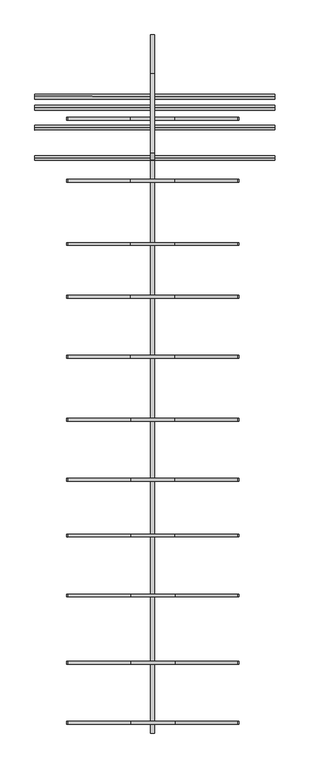
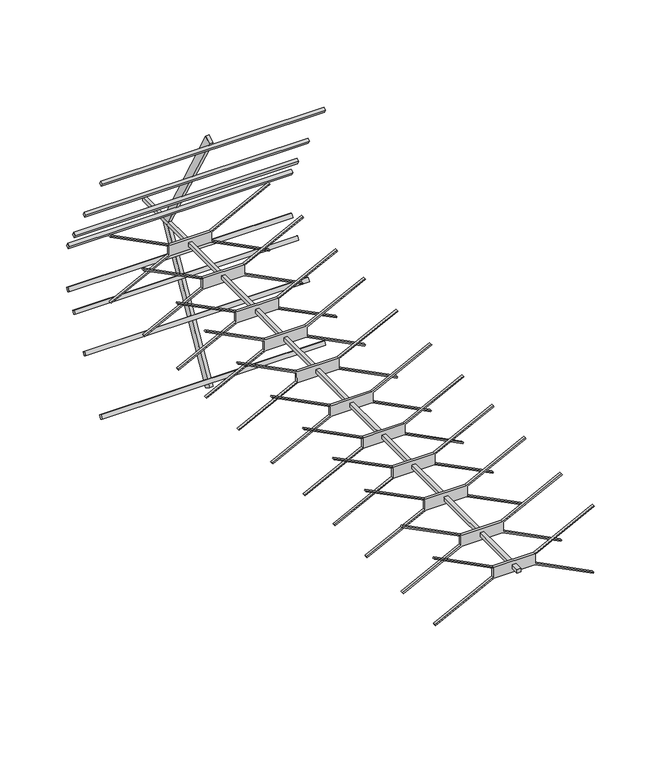
"""IFC4 building model written with IfcOpenShell, lengths in millimetres: proxy geometry."""

import ifcopenshell
import ifcopenshell.guid

model = None  # the IFC model being written
_history = None  # IfcOwnerHistory: only IFC2X3 demands one
_inside = {}  # id of a spatial element -> (the spatial element, [elements in it])
_under = {}  # id of a project, library or spatial element -> (it, [spatial elements below it])
_declared = {}  # id of a project -> (the project, [libraries it declares])
_typed = {}  # id of a type object -> (the type object, [elements of that type])
_made_of = {}  # id of a material, layer set ... -> (it, [elements and type objects made of it])


def new_model(schema):
    """Start an empty IFC model of exactly this schema.

    Asked for "IFC4X3", IfcOpenShell would pick the latest addendum, in which some entities
    have other attributes; the version numbers below select the first issue.
    IFC2X3 requires an IfcOwnerHistory on every rooted entity: one is made here for all.
    """
    global model, _history
    if schema == "IFC4X3":
        model = ifcopenshell.file(schema_version=(4, 3, 0, 0))
    else:
        model = ifcopenshell.file(schema=schema)
    _inside.clear()
    _under.clear()
    _declared.clear()
    _typed.clear()
    _made_of.clear()
    _history = None
    if model.schema == "IFC2X3":
        org = make("IfcOrganization", Name="unknown")
        user = make(
            "IfcPersonAndOrganization",
            ThePerson=make("IfcPerson", FamilyName="unknown"),
            TheOrganization=org,
        )
        app = make(
            "IfcApplication",
            ApplicationDeveloper=org,
            Version="unknown",
            ApplicationFullName="unknown",
            ApplicationIdentifier="unknown",
        )
        _history = make(
            "IfcOwnerHistory",
            OwningUser=user,
            OwningApplication=app,
            ChangeAction="ADDED",
            CreationDate=0,
        )
    return model


def make(cls, **values):
    """One entity of the class cls with the attributes given. An attribute that is None is left unset."""
    return model.create_entity(
        cls, **{name: value for name, value in values.items() if value is not None}
    )


def rooted(cls, **values):
    """An entity with a GlobalId (a new one), such as an element, a storey or a relation."""
    return make(cls, GlobalId=ifcopenshell.guid.new(), OwnerHistory=_history, **values)


def si_unit(unit_type, name, prefix=None):
    """IfcSIUnit, for example si_unit("LENGTHUNIT", "METRE", prefix="MILLI")."""
    return make("IfcSIUnit", UnitType=unit_type, Prefix=prefix, Name=name)


def assignment(units):
    """IfcUnitAssignment: the units of a project."""
    return None if units is None else make("IfcUnitAssignment", Units=units)


def point(xyz):
    """IfcCartesianPoint."""
    return None if xyz is None else make("IfcCartesianPoint", Coordinates=xyz)


def direction(xyz):
    """IfcDirection."""
    return None if xyz is None else make("IfcDirection", DirectionRatios=xyz)


def frame(location, z_axis=None, x_axis=None):
    """IfcAxis2Placement3D, a coordinate frame: its origin and axes. An axis left out is left unset."""
    return make(
        "IfcAxis2Placement3D",
        Location=point(location),
        Axis=direction(z_axis),
        RefDirection=direction(x_axis),
    )


def origin():
    """The frame at (0, 0, 0) with its axes left unset."""
    return frame((0.0, 0.0, 0.0))


def place(relative_to, where):
    """IfcLocalPlacement: puts the frame where relative to a parent placement (None: the world)."""
    return make(
        "IfcLocalPlacement", PlacementRelTo=relative_to, RelativePlacement=where
    )


def context(
    kind, dimensions, precision=None, world=None, true_north=None, identifier=None
):
    """IfcGeometricRepresentationContext, for example the 3D "Model" context."""
    return make(
        "IfcGeometricRepresentationContext",
        ContextIdentifier=identifier,
        ContextType=kind,
        CoordinateSpaceDimension=dimensions,
        Precision=precision,
        WorldCoordinateSystem=world,
        TrueNorth=true_north,
    )


def project(units=None, contexts=None):
    """IfcProject with its units and contexts."""
    return rooted(
        "IfcProject",
        Name="project",
        RepresentationContexts=contexts,
        UnitsInContext=assignment(units),
    )


def spatial(cls, under=None, at=None, **own):
    """A site, building, storey or space (cls), placed at a placement, below another one or the project."""
    s = rooted(cls, ObjectPlacement=at, **own)
    if under is not None:
        _under.setdefault(under.id(), (under, []))[1].append(s)
    return s


def polyline(points):
    """IfcPolyline through the points."""
    return make("IfcPolyline", Points=[point(p) for p in points])


def outline(outer, holes=None, kind="AREA"):
    """IfcArbitraryClosedProfileDef: a profile drawn as a closed curve; with holes, ...WithVoids."""
    if holes is None:
        return make("IfcArbitraryClosedProfileDef", ProfileType=kind, OuterCurve=outer)
    return make(
        "IfcArbitraryProfileDefWithVoids",
        ProfileType=kind,
        OuterCurve=outer,
        InnerCurves=holes,
    )


def extrude(swept, where, along, depth):
    """IfcExtrudedAreaSolid: the profile swept, set in the frame where, extruded along a direction by depth."""
    return make(
        "IfcExtrudedAreaSolid",
        SweptArea=swept,
        Position=where,
        ExtrudedDirection=direction(along),
        Depth=depth,
    )


def shape(context_of_items, identifier, shape_type, items):
    """IfcShapeRepresentation: the items that make up one representation, for example the "Body"."""
    return make(
        "IfcShapeRepresentation",
        ContextOfItems=context_of_items,
        RepresentationIdentifier=identifier,
        RepresentationType=shape_type,
        Items=items,
    )


def source(mapping_origin, context_of_items, identifier, shape_type, items):
    """IfcRepresentationMap: a shape defined once, which mapped items show again and again."""
    return make(
        "IfcRepresentationMap",
        MappingOrigin=mapping_origin,
        MappedRepresentation=shape(context_of_items, identifier, shape_type, items),
    )


def transform(
    local_origin,
    x_axis=None,
    y_axis=None,
    z_axis=None,
    scale=None,
    scale2=None,
    scale3=None,
    uniform=True,
):
    """IfcCartesianTransformationOperator3D, or its non-uniform kind. x_axis, y_axis, z_axis: its Axis1, 2, 3."""
    if uniform:
        return make(
            "IfcCartesianTransformationOperator3D",
            Axis1=direction(x_axis),
            Axis2=direction(y_axis),
            LocalOrigin=point(local_origin),
            Scale=scale,
            Axis3=direction(z_axis),
        )
    return make(
        "IfcCartesianTransformationOperator3DnonUniform",
        Axis1=direction(x_axis),
        Axis2=direction(y_axis),
        LocalOrigin=point(local_origin),
        Scale=scale,
        Axis3=direction(z_axis),
        Scale2=scale2,
        Scale3=scale3,
    )


def mapped(mapping_source, mapping_target):
    """IfcMappedItem: shows the shape of a source again, moved by a transform."""
    return make(
        "IfcMappedItem", MappingSource=mapping_source, MappingTarget=mapping_target
    )


def made_of(thing, what):
    """Note that an element or type object is made of a material, layer set ...; save() writes the relation."""
    if what is not None:
        _made_of.setdefault(what.id(), (what, []))[1].append(thing)
    return thing


def element(
    cls,
    number,
    at=None,
    inside=None,
    cuts=None,
    type_object=None,
    material=None,
    context=None,
    identifier="Body",
    shape_type=None,
    held_by="IfcProductDefinitionShape",
    body=None,
    shapes=None,
    **own,
):
    """One element of the class cls, such as IfcWall. Its Tag is "e" and its number.

    at: its placement. inside: the storey or other place that contains it. cuts: it is an
    opening in that element (IfcRelVoidsElement). A single representation is given by context,
    identifier, shape_type and body (its items); several are given by shapes. held_by: the class
    of the entity that holds the representations. save() writes the other relations.
    """
    e = rooted(cls, Tag="e%d" % number, ObjectPlacement=at, **own)
    if body is not None:
        shapes = [shape(context, identifier, shape_type, body)]
    if shapes is not None:
        e.Representation = make(held_by, Representations=shapes)
    if inside is not None:
        _inside.setdefault(inside.id(), (inside, []))[1].append(e)
    if cuts is not None:
        rooted(
            "IfcRelVoidsElement", RelatingBuildingElement=cuts, RelatedOpeningElement=e
        )
    if type_object is not None:
        _typed.setdefault(type_object.id(), (type_object, []))[1].append(e)
    return made_of(e, material)


def aggregate(whole, parts):
    """IfcRelAggregates: a whole, such as a stair, and the parts it consists of."""
    return rooted("IfcRelAggregates", RelatingObject=whole, RelatedObjects=parts)


def save(model, path):
    """Write the relations noted so far, then the file.

    IfcRelAggregates (storeys below a building ...), IfcRelContainedInSpatialStructure (elements
    in a storey), IfcRelDefinesByType, IfcRelAssociatesMaterial and IfcRelDeclares: one each for
    every whole, place, type object, material and project.
    """
    for whole, parts in _under.values():
        aggregate(whole, parts)
    for where, things in _inside.values():
        rooted(
            "IfcRelContainedInSpatialStructure",
            RelatedElements=things,
            RelatingStructure=where,
        )
    for kind, things in _typed.values():
        rooted("IfcRelDefinesByType", RelatedObjects=things, RelatingType=kind)
    for what, things in _made_of.values():
        rooted("IfcRelAssociatesMaterial", RelatedObjects=things, RelatingMaterial=what)
    for by, libraries in _declared.values():
        rooted("IfcRelDeclares", RelatingContext=by, RelatedDefinitions=libraries)
    model.write(path)


def electrical_equipment_bc6e4242(model_context):
    return source(origin(), model_context, "Body", "SweptSolid", [
        extrude(outline(polyline([(4.8529187, 839.5953609), (4.9997, -848.0124761), (-5.0003, -848.0133458), (-5.1470813, 839.5944911), (4.8529187, 839.5953609)])), frame((0.0, 0.0, 333.2991419), z_axis=(0.0, 0.0, 1.0), x_axis=(1.0, 0.0, 0.0)), (0.0, 0.0, 1.0), 10.0),
        extrude(outline(polyline([(0.0, 0.0), (-26.0803511, -395.8512075), (-377.2465404, -580.4065399), (-385.3668325, -562.1292081), (-42.8494572, -384.9518003), (-20.0, 0.0), (0.0, 0.0)])), frame((-5.1208298, 555.1053639, 684.2430589), z_axis=(0.9999999962175946, 8.697592195006097e-05, 0.0), x_axis=(-7.292542332284875e-05, 0.8384553036285936, 0.5449703647896514)), (0.0, 0.0, 1.0), 9.5124639),
        extrude(outline(polyline([(-9.1462648, 0.0), (161.7884493, 0.0), (161.9878973, -2.9932162), (-8.3189765, -2.9737875), (-19.7695714, -25.556304), (81.6460866, -163.9638216), (79.1134599, -165.5718646), (-22.495432, -26.8674433), (-117.3153522, 21.2115428), (-289.2551188, 21.2115427), (-289.4545766, 24.2049048), (-117.8685158, 24.1853303), (-106.4179209, 46.7678467), (-207.0775176, 184.1435259), (-204.5450144, 185.7514905), (-103.5300647, 47.8578488), (-9.1462648, 0.0)])), frame((61.3873629, -826.5299634, 319.7261211), z_axis=(-8.697592182388413e-05, 0.9999999962175945, 0.0), x_axis=(0.8918958202361283, 7.757346142932079e-05, -0.45224090906029507)), (0.0, 0.0, 1.0), 6.6860012),
        extrude(outline(polyline([(-9.1462648, 0.0), (161.7884493, 0.0), (161.9878973, -2.9932162), (-8.3189765, -2.9737875), (-19.7695714, -25.556304), (81.6460866, -163.9638216), (79.1134599, -165.5718646), (-22.495432, -26.8674433), (-117.3153522, 21.2115428), (-289.2551188, 21.2115427), (-289.4545766, 24.2049048), (-117.8685158, 24.1853303), (-106.4179209, 46.7678467), (-207.0775176, 184.1435259), (-204.5450144, 185.7514905), (-103.5300647, 47.8578488), (-9.1462648, 0.0)])), frame((61.3747514, -681.5299653, 319.7261211), z_axis=(-8.697592182388413e-05, 0.9999999962175945, 0.0), x_axis=(0.8918958202361282, 7.757346142932079e-05, -0.4522409090602953)), (0.0, 0.0, 1.0), 6.6860012),
        extrude(outline(polyline([(-9.1462648, 0.0), (161.7884493, 0.0), (161.9878973, -2.9932162), (-8.3189764, -2.9737875), (-19.7695713, -25.556304), (81.6460866, -163.9638216), (79.11346, -165.5718646), (-22.4954319, -26.8674434), (-117.3153521, 21.2115427), (-289.2551188, 21.2115427), (-289.4545765, 24.2049048), (-117.8685158, 24.1853303), (-106.4179209, 46.7678467), (-207.0775175, 184.1435258), (-204.5450143, 185.7514905), (-103.5300647, 47.8578488), (-9.1462648, 0.0)])), frame((61.3614875, -519.0299649, 319.7261211), z_axis=(-8.697592182388413e-05, 0.9999999962175945, 0.0), x_axis=(0.8918958202361281, 7.757346142932078e-05, -0.45224090906029546)), (0.0, 0.0, 1.0), 6.6860012),
        extrude(outline(polyline([(-9.1462648, 0.0), (161.7884493, 0.0), (161.9878973, -2.9932162), (-8.3189764, -2.9737875), (-19.7695713, -25.556304), (81.6460866, -163.9638216), (79.11346, -165.5718646), (-22.4954319, -26.8674434), (-117.3153521, 21.2115427), (-289.2551188, 21.2115427), (-289.4545765, 24.2049048), (-117.8685158, 24.1853303), (-106.4179209, 46.7678467), (-207.0775175, 184.1435258), (-204.5450143, 185.7514905), (-103.5300647, 47.8578488), (-9.1462648, 0.0)])), frame((61.348876, -374.0286615, 319.7261211), z_axis=(-8.697592182388414e-05, 0.9999999962175945, 0.0), x_axis=(0.8918958202361281, 7.757346142932078e-05, -0.4522409090602955)), (0.0, 0.0, 1.0), 6.6860012),
        extrude(outline(polyline([(-9.1462648, 0.0), (161.7884493, 0.0), (161.9878973, -2.9932162), (-8.3189765, -2.9737875), (-19.7695714, -25.556304), (81.6460866, -163.9638216), (79.1134599, -165.5718646), (-22.495432, -26.8674433), (-117.3153522, 21.2115428), (-289.2551188, 21.2115427), (-289.4545766, 24.2049048), (-117.8685158, 24.1853303), (-106.4179209, 46.7678467), (-207.0775176, 184.1435259), (-204.5450144, 185.7514905), (-103.5300647, 47.8578488), (-9.1462648, 0.0)])), frame((61.3371343, -239.0266136, 319.7261211), z_axis=(-8.697592182388413e-05, 0.9999999962175945, 0.0), x_axis=(0.891895820236128, 7.757346142932076e-05, -0.4522409090602955)), (0.0, 0.0, 1.0), 6.6860012),
        extrude(outline(polyline([(-9.1462648, 0.0), (161.7884493, 0.0), (161.9878973, -2.9932162), (-8.3189765, -2.9737875), (-19.7695714, -25.556304), (81.6460866, -163.9638216), (79.1134599, -165.5718646), (-22.495432, -26.8674433), (-117.3153522, 21.2115428), (-289.2551188, 21.2115427), (-289.4545766, 24.2049048), (-117.8685158, 24.1853303), (-106.4179209, 46.7678467), (-207.0775176, 184.1435259), (-204.5450144, 185.7514905), (-103.5300647, 47.8578488), (-9.1462648, 0.0)])), frame((61.3245228, -94.026614, 319.7261211), z_axis=(-8.697592182388414e-05, 0.9999999962175946, 0.0), x_axis=(0.8918958202361281, 7.757346142932078e-05, -0.45224090906029557)), (0.0, 0.0, 1.0), 6.6860012),
        extrude(outline(polyline([(9.1462648, 0.0), (103.5300647, 47.8578487), (204.5450143, 185.7514905), (207.0775174, 184.1435259), (106.4179209, 46.7678467), (117.8685158, 24.1853302), (289.4545765, 24.2049048), (289.2551188, 21.2115427), (117.3153521, 21.2115427), (22.4954319, -26.8674434), (-79.11346, -165.5718646), (-81.6460866, -163.9638216), (19.7695713, -25.556304), (8.3189764, -2.9737875), (-161.9878973, -2.9932161), (-161.7884493, 0.0), (9.1462648, 0.0)])), frame((61.3106774, 65.140631, 319.7249715), z_axis=(8.697592182388414e-05, -0.9999999814977805, 0.0001715798007525845), x_axis=(-0.8918958202361273, 2.194507477698101e-08, 0.452240915713434)), (0.0, 0.0, 1.0), 6.6860012),
        extrude(outline(polyline([(9.1462648, 0.0), (103.5300647, 47.8578487), (204.5450144, 185.7514905), (207.0775174, 184.1435259), (106.4179209, 46.7678467), (117.8685158, 24.1853302), (289.4545765, 24.2049048), (289.2551188, 21.2115427), (117.3153521, 21.2115427), (22.4954319, -26.8674434), (-79.1134599, -165.5718646), (-81.6460866, -163.9638216), (19.7695713, -25.556304), (8.3189764, -2.9737876), (-161.9878972, -2.9932162), (-161.7884493, -1e-07), (9.1462648, 0.0)])), frame((61.2980659, 210.1429562, 319.7249718), z_axis=(8.697592182388414e-05, -0.9999999815061051, 0.00017153127557216719), x_axis=(-0.8918958202361256, 0.0, 0.4522409157134377)), (0.0, 0.0, 1.0), 6.6860012),
        extrude(outline(polyline([(-9.1462648, 0.0), (161.7884493, 0.0), (161.9878973, -2.9932162), (-8.3189764, -2.9737875), (-19.7695713, -25.556304), (81.6460866, -163.9638216), (79.1134599, -165.5718646), (-22.4954319, -26.8674434), (-117.3153521, 21.2115427), (-289.2551188, 21.2115427), (-289.4545766, 24.2049048), (-117.8685158, 24.1853303), (-106.4179209, 46.7678467), (-207.0775176, 184.1435259), (-204.5450144, 185.7514905), (-103.5300647, 47.8578488), (-9.1462648, 0.0)])), frame((61.287558, 330.9741291, 319.7261211), z_axis=(-8.697592182388413e-05, 0.9999999962175945, 0.0), x_axis=(0.8918958202361281, 7.757346142932078e-05, -0.45224090906029546)), (0.0, 0.0, 1.0), 6.6860012),
        extrude(outline(polyline([(-9.1462648, 0.0), (161.7884493, 0.0), (161.9878973, -2.9932162), (-8.3189765, -2.9737875), (-19.7695714, -25.556304), (81.6460866, -163.9638216), (79.1134599, -165.5718646), (-22.495432, -26.8674433), (-117.3153522, 21.2115428), (-289.2551188, 21.2115427), (-289.4545766, 24.2049048), (-117.8685158, 24.1853303), (-106.4179209, 46.7678467), (-207.0775176, 184.1435259), (-204.5450144, 185.7514905), (-103.5300647, 47.8578488), (-9.1462648, 0.0)])), frame((61.2742942, 483.4727311, 319.7261211), z_axis=(-8.697592182388414e-05, 0.9999999962175946, 0.0), x_axis=(0.891895820236128, 7.757346142932076e-05, -0.4522409090602956)), (0.0, 0.0, 1.0), 6.6860012),
        extrude(outline(polyline([(0.0, 0.0), (8.260963, 1e-07), (8.9878038, -9.9887746), (0.6857962, -9.9764564), (0.0, 0.0)])), frame((296.2341007, 614.8479783, 522.2209486), z_axis=(-0.9999999962175945, -8.697569302385196e-05, 1.9955471372267168e-07), x_axis=(-7.217496736086612e-05, 0.8311051055419976, 0.5561153642301203)), (0.0, 0.0, 1.0), 581.4238793),
        extrude(outline(polyline([(0.0, 0.0), (7.5299581, 0.0), (8.2567198, -9.9876899), (0.6857963, -9.9764565), (0.0, 0.0)])), frame((296.2404648, 541.6881934, 652.3457414), z_axis=(-0.9999999962175945, -8.697569302385196e-05, 1.9955471372264452e-07), x_axis=(-7.217496736086618e-05, 0.8311051055419979, 0.5561153642301196)), (0.0, 0.0, 1.0), 581.4238793),
        extrude(outline(polyline([(0.0, 0.0), (8.1412743, -1e-07), (8.8681021, -9.9885971), (0.6857962, -9.9764565), (0.0, 0.0)])), frame((296.2299129, 662.9800426, 437.8232245), z_axis=(-0.9999999962175945, -8.697569302385193e-05, 1.995547137221634e-07), x_axis=(-7.217496736086596e-05, 0.8311051055419927, 0.5561153642301275)), (0.0, 0.0, 1.0), 581.4238793),
        extrude(outline(polyline([(0.0, 0.0), (8.7071974, 0.0), (9.4340863, -9.9894368), (0.6857962, -9.9764564), (0.0, 0.0)])), frame((296.2276615, 688.9107427, 391.0828378), z_axis=(-0.9999999962175946, -8.697569302385197e-05, 1.9955471372267846e-07), x_axis=(-7.217496736086617e-05, 0.8311051055419979, 0.5561153642301198)), (0.0, 0.0, 1.0), 581.4238793),
        extrude(outline(polyline([(10.7282546, 0.0), (10.1516152, -8.3885244), (0.1362919, -8.4286283), (0.7282546, 1e-07), (10.7282546, 0.0)])), frame((-285.1893101, 609.4280734, 144.9742733), z_axis=(0.9999999962175945, 8.697569302385193e-05, 1.9955471372248867e-07), x_axis=(-4.347037085842346e-05, 0.4978091931695507, 0.8672865762285312)), (0.0, 0.0, 1.0), 581.4238793),
        extrude(outline(polyline([(10.7282546, 1e-07), (10.2067865, -7.5859319), (0.1926602, -7.626031), (0.7282546, 1e-07), (10.7282546, 1e-07)])), frame((-285.182946, 536.3320371, 14.813325), z_axis=(0.9999999962175945, 8.697569302385196e-05, 1.9955471372283426e-07), x_axis=(-4.3470370858424505e-05, 0.4978091931695591, 0.8672865762285263)), (0.0, 0.0, 1.0), 581.4238793),
        extrude(outline(polyline([(10.7282546, 0.0), (10.1695758, -8.1272456), (0.1546422, -8.1673479), (0.7282545, 0.0), (10.7282546, 0.0)])), frame((-285.1934978, 657.6835085, 229.3020268), z_axis=(0.9999999962175945, 8.697569302385197e-05, 1.995547137226107e-07), x_axis=(-4.3470370858424796e-05, 0.49780919316956473, 0.8672865762285231)), (0.0, 0.0, 1.0), 581.4238793),
        extrude(outline(polyline([(10.7282546, 1e-07), (10.1216599, -8.8242899), (0.1056868, -8.8643965), (0.7282545, 0.0), (10.7282546, 1e-07)])), frame((-285.1957493, 683.4990278, 276.1077391), z_axis=(0.9999999962175945, 8.697569302385193e-05, 1.9955471372229894e-07), x_axis=(-4.347037085842481e-05, 0.4978091931695681, 0.8672865762285212)), (0.0, 0.0, 1.0), 581.4238793),
        extrude(outline(polyline([(-9.1462648, 0.0), (161.7884493, 0.0), (161.9878973, -2.9932162), (-8.3189765, -2.9737875), (-19.7695714, -25.556304), (81.6460866, -163.9638216), (79.1134599, -165.5718646), (-22.495432, -26.8674433), (-117.3153522, 21.2115428), (-289.2551188, 21.2115427), (-289.4545766, 24.2049048), (-117.8685158, 24.1853303), (-106.4179209, 46.7678467), (-207.0775176, 184.1435259), (-204.5450144, 185.7514905), (-103.5300647, 47.8578488), (-9.1462648, 0.0)])), frame((61.2742942, 633.4727311, 319.7261211), z_axis=(-8.697592182388414e-05, 0.9999999962175945, 0.0), x_axis=(0.8918958202361285, 7.75734614293208e-05, -0.45224090906029485)), (0.0, 0.0, 1.0), 6.6860012),
    ])


if __name__ == "__main__":
    model = new_model("IFC4")
    model_context = context("Model", 3, world=origin())
    ifc_project = project(units=[si_unit("LENGTHUNIT", "METRE", prefix="MILLI")], contexts=[model_context])
    site = spatial("IfcSite", under=ifc_project)
    building = spatial("IfcBuilding", under=site)
    placement = place(None, origin())
    electrical_equipment_shape = electrical_equipment_bc6e4242(model_context)
    element("IfcBuildingElementProxy", 1, Name="Electrical Equipment", at=placement, inside=building, context=model_context, shape_type="MappedRepresentation", body=[
        mapped(electrical_equipment_shape, transform((0.0, 0.0, 0.0), x_axis=(1.0, 0.0, 0.0), y_axis=(0.0, 1.0, 0.0), z_axis=(0.0, 0.0, 1.0))),
    ])
    save(model, "model.ifc")
